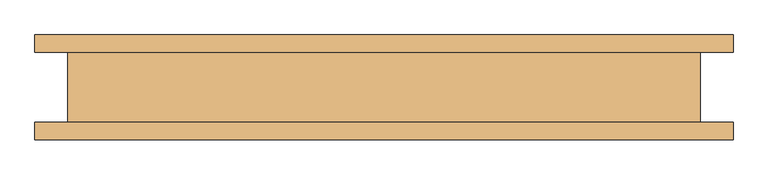
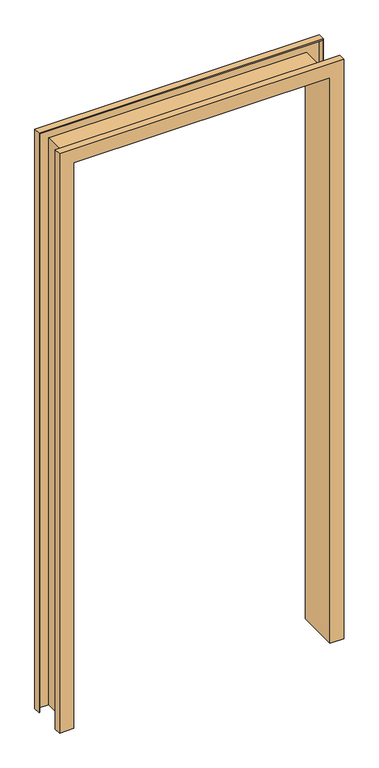
"""IFC4 building model written with IfcOpenShell, lengths in millimetres: door geometry."""

from ifc_helpers import new_model, si_unit, origin, place, context, project, spatial, faceted_brep, source, transform, mapped, element, save


def door_f5faf380(model_context):
    return source(origin(), model_context, "Body", "Brep", [
        faceted_brep([(-457.2, -76.2, 0.0), (-508.0, -76.2, 0.0), (-508.0, -50.8, 0.0), (-504.825, -50.8, 0.0), (-504.825, -73.025, 0.0), (-460.375, -73.025, 0.0), (-460.375, 73.025, 0.0), (-504.825, 73.025, 0.0), (-504.825, 50.8, 0.0), (-508.0, 50.8, 0.0), (-508.0, 76.2, 0.0), (-457.2, 76.2, 0.0), (-457.2, -76.2, 2133.6), (457.2, -76.2, 2133.6), (457.2, -76.2, 0.0), (508.0, -76.2, 0.0), (508.0, -76.2, 2184.4), (-508.0, -76.2, 2184.4), (-508.0, -50.8, 2184.4), (508.0, -50.8, 2184.4), (508.0, -50.8, 0.0), (504.825, -50.8, 0.0), (504.825, -50.8, 2181.225), (-504.825, -50.8, 2181.225), (-504.825, -73.025, 2181.225), (504.825, -73.025, 2181.225), (504.825, -73.025, 0.0), (460.375, -73.025, 0.0), (460.375, -73.025, 2136.775), (-460.375, -73.025, 2136.775), (-460.375, 73.025, 2136.775), (460.375, 73.025, 2136.775), (460.375, 73.025, 0.0), (504.825, 73.025, 0.0), (504.825, 73.025, 2181.225), (-504.825, 73.025, 2181.225), (-504.825, 50.8, 2181.225), (504.825, 50.8, 2181.225), (504.825, 50.8, 0.0), (508.0, 50.8, 0.0), (508.0, 50.8, 2184.4), (-508.0, 50.8, 2184.4), (-508.0, 76.2, 2184.4), (508.0, 76.2, 2184.4), (508.0, 76.2, 0.0), (457.2, 76.2, 0.0), (457.2, 76.2, 2133.6), (-457.2, 76.2, 2133.6)], [[[0, 1, 2, 3, 4, 5, 6, 7, 8, 9, 10, 11]], [[1, 0, 12, 13, 14, 15, 16, 17]], [[2, 1, 17, 18]], [[3, 2, 18, 19, 20, 21, 22, 23]], [[4, 3, 23, 24]], [[5, 4, 24, 25, 26, 27, 28, 29]], [[6, 5, 29, 30]], [[7, 6, 30, 31, 32, 33, 34, 35]], [[8, 7, 35, 36]], [[9, 8, 36, 37, 38, 39, 40, 41]], [[10, 9, 41, 42]], [[11, 10, 42, 43, 44, 45, 46, 47]], [[0, 11, 47, 12]], [[13, 46, 45, 14]], [[14, 45, 44, 39, 38, 33, 32, 27, 26, 21, 20, 15]], [[19, 16, 15, 20]], [[25, 22, 21, 26]], [[31, 28, 27, 32]], [[37, 34, 33, 38]], [[43, 40, 39, 44]], [[18, 17, 16, 19]], [[24, 23, 22, 25]], [[30, 29, 28, 31]], [[36, 35, 34, 37]], [[42, 41, 40, 43]], [[12, 47, 46, 13]]]),
    ])


if __name__ == "__main__":
    model = new_model("IFC4")
    model_context = context("Model", 3, world=origin())
    ifc_project = project(units=[si_unit("LENGTHUNIT", "METRE", prefix="MILLI")], contexts=[model_context])
    site = spatial("IfcSite", under=ifc_project)
    building = spatial("IfcBuilding", under=site)
    placement = place(None, origin())
    door_shape = door_f5faf380(model_context)
    element("IfcDoor", 1, at=placement, inside=building, context=model_context, shape_type="MappedRepresentation", body=[
        mapped(door_shape, transform((0.0, 0.0, 0.0), x_axis=(1.0, 0.0, 0.0), y_axis=(0.0, 1.0, 0.0), z_axis=(0.0, 0.0, 1.0))),
    ])
    save(model, "model.ifc")
